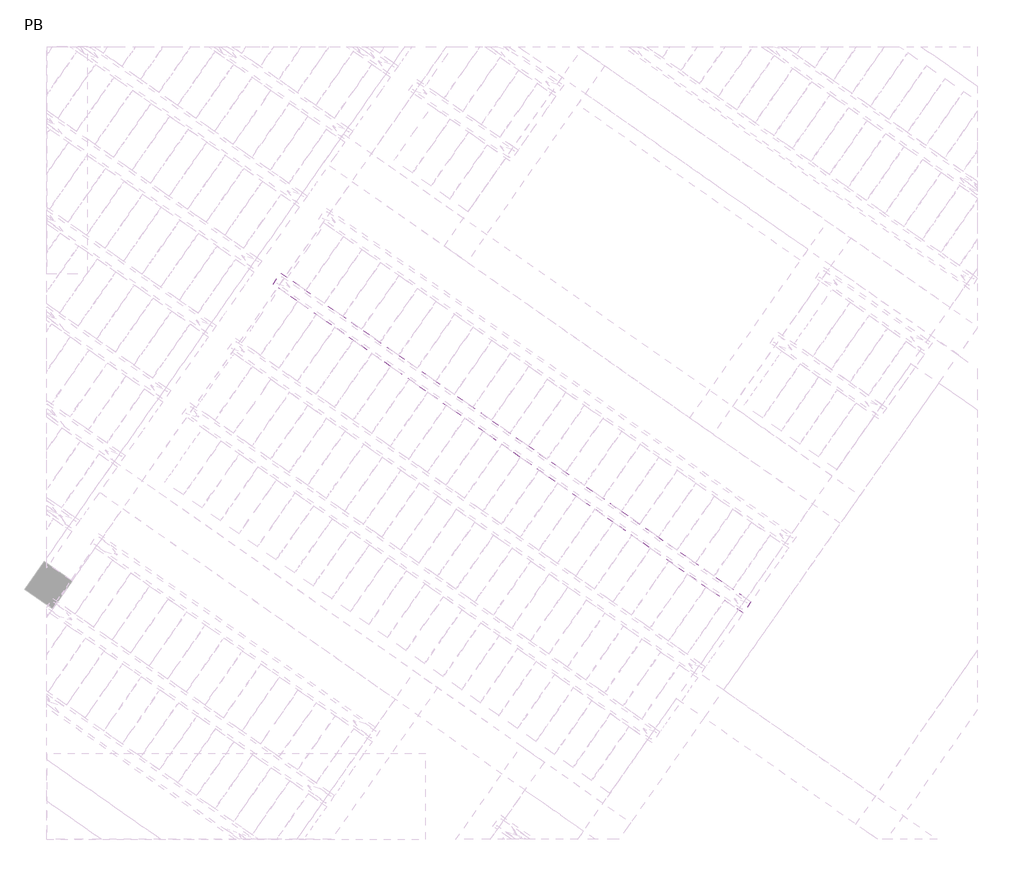
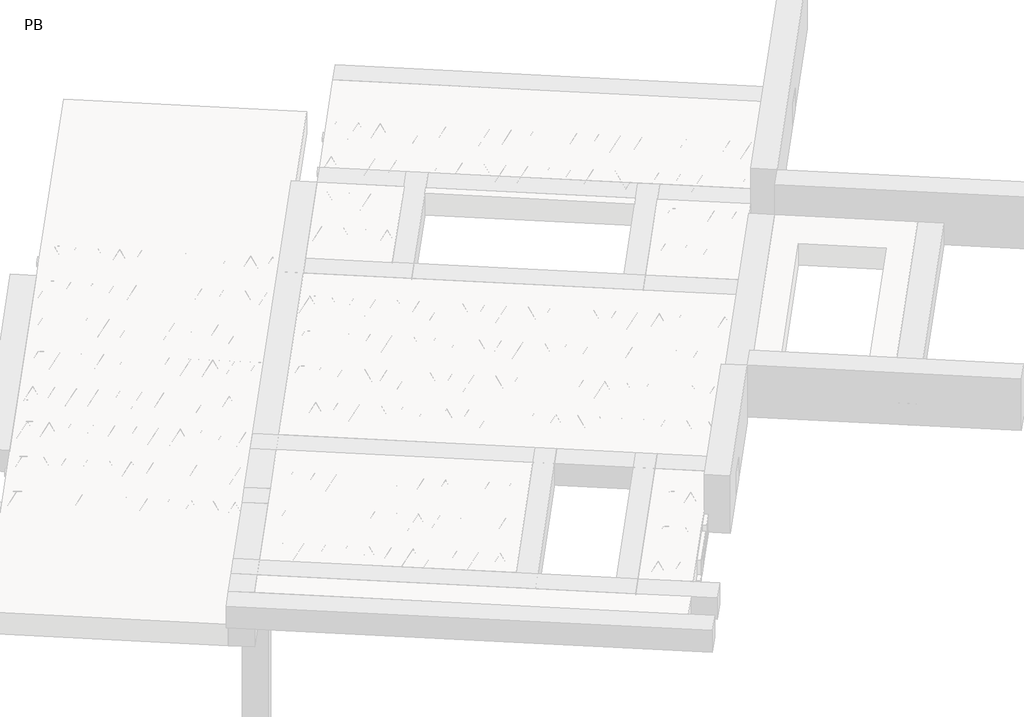
# One storey, part 24 of 56: 1 beam.
"""IFC4 building model written with IfcOpenShell, lengths in millimetres."""

from ifc_helpers import new_model, si_unit, point, frame, origin, origin_2d, place, context, project, spatial, polyline, circle_curve, trimmed, segment, composite_curve, outline, extrude, element, save

model = new_model("IFC4")

# Units and contexts
model_context = context("Model", 3, world=origin())
ifc_project = project(units=[si_unit("LENGTHUNIT", "METRE", prefix="MILLI")], contexts=[model_context])

# Site, building, storey
site = spatial("IfcSite", under=ifc_project)
building = spatial("IfcBuilding", under=site)
storey = spatial("IfcBuildingStorey", under=building, Name="PB", Elevation=95940.0)

# Beam
placement = place(None, origin())
element("IfcBeam", 1, at=placement, inside=storey, context=model_context, shape_type="SweptSolid", body=[
    extrude(outline(polyline([(4128.4861055, 4922.5047808), (4197.3152778, 5020.8030261), (8346.774221, 2115.3205944), (8277.9450486, 2017.0223491), (4128.4861055, 4922.5047808)])), frame((0.0, 0.0, 99220.0), z_axis=(0.0, 0.0, 1.0), x_axis=(1.0, 0.0, 0.0)), (0.0, 0.0, 1.0), 50.0),
    extrude(outline(composite_curve([segment(trimmed(circle_curve(origin_2d(), 2.5), [point((-2.5, 0.0))], [point((2.5, 0.0))], False, "CARTESIAN"), True, "CONTINUOUS"), segment(trimmed(circle_curve(origin_2d(), 2.5), [point((2.5, 0.0))], [point((-2.5, 0.0))], False, "CARTESIAN"), True, "CONTINUOUS")], self_intersect=False)), frame((8272.051234, 2050.4478326, 99245.0), z_axis=(-0.8191520442696126, 0.5735764363787226, 0.0), x_axis=(0.5735764363787226, 0.8191520442696126, 0.0)), (0.0, 0.0, 1.0), 5017.554035),
    extrude(outline(composite_curve([segment(trimmed(circle_curve(origin_2d(), 2.5), [point((-2.5, 0.0))], [point((2.5, 0.0))], False, "CARTESIAN"), True, "CONTINUOUS"), segment(trimmed(circle_curve(origin_2d(), 2.5), [point((2.5, 0.0))], [point((-2.5, 0.0))], False, "CARTESIAN"), True, "CONTINUOUS")], self_intersect=False)), frame((8224.0738707, 2127.9898293, 99470.0), z_axis=(-0.8191520442696126, 0.5735764363787226, 0.0), x_axis=(0.5735764363787226, 0.8191520442696126, 0.0)), (0.0, 0.0, 1.0), 4850.0),
    extrude(outline(composite_curve([segment(trimmed(circle_curve(origin_2d(), 2.5), [point((-2.5, -1e-07))], [point((2.5, 0.0))], False, "CARTESIAN"), True, "CONTINUOUS"), segment(trimmed(circle_curve(origin_2d(), 2.5), [point((2.5, 0.0))], [point((-2.5, -1e-07))], False, "CARTESIAN"), True, "CONTINUOUS")], self_intersect=False)), frame((8264.8615223, 2055.482123, 99245.0), z_axis=(-0.3145304735701046, 0.38933448886848654, 0.8657304643902053), x_axis=(0.7778747638402499, 0.6284193279813057, 0.0)), (0.0, 0.0, 1.0), 259.8961331),
    extrude(outline(composite_curve([segment(trimmed(circle_curve(origin_2d(), 2.5), [point((2.5, 0.0))], [point((-2.5, 0.0))], False, "CARTESIAN"), True, "CONTINUOUS"), segment(trimmed(circle_curve(origin_2d(), 2.5), [point((-2.5, 0.0))], [point((2.5, 0.0))], False, "CARTESIAN"), True, "CONTINUOUS")], self_intersect=False)), frame((8060.0735112, 2198.8762321, 99245.0), z_axis=(0.47343050384693375, -0.16240172737369005, 0.8657304643902051), x_axis=(-0.3244721671091268, -0.9458952440791246, 0.0)), (0.0, 0.0, 1.0), 259.8961331),
    extrude(outline(composite_curve([segment(trimmed(circle_curve(origin_2d(), 2.5), [point((-2.5, 0.0))], [point((2.5, 0.0))], False, "CARTESIAN"), True, "CONTINUOUS"), segment(trimmed(circle_curve(origin_2d(), 2.5), [point((2.5, 0.0))], [point((-2.5, 0.0))], False, "CARTESIAN"), True, "CONTINUOUS")], self_intersect=False)), frame((8060.0735112, 2198.8762321, 99245.0), z_axis=(-0.3145304735701046, 0.38933448886848654, 0.8657304643902053), x_axis=(0.7778747638402499, 0.6284193279813057, 0.0)), (0.0, 0.0, 1.0), 259.8961331),
    extrude(outline(composite_curve([segment(trimmed(circle_curve(origin_2d(), 2.5), [point((2.5, 0.0))], [point((-2.5, 1e-07))], False, "CARTESIAN"), True, "CONTINUOUS"), segment(trimmed(circle_curve(origin_2d(), 2.5), [point((-2.5, 1e-07))], [point((2.5, 0.0))], False, "CARTESIAN"), True, "CONTINUOUS")], self_intersect=False)), frame((7855.2855001, 2342.2703412, 99245.0), z_axis=(0.47343050384693375, -0.16240172737369005, 0.8657304643902051), x_axis=(-0.3244721671091268, -0.9458952440791246, 0.0)), (0.0, 0.0, 1.0), 259.8961331),
    extrude(outline(composite_curve([segment(trimmed(circle_curve(origin_2d(), 2.5), [point((-2.5, -1e-07))], [point((2.5, 0.0))], False, "CARTESIAN"), True, "CONTINUOUS"), segment(trimmed(circle_curve(origin_2d(), 2.5), [point((2.5, 0.0))], [point((-2.5, -1e-07))], False, "CARTESIAN"), True, "CONTINUOUS")], self_intersect=False)), frame((7855.2855001, 2342.2703412, 99245.0), z_axis=(-0.3145304735701046, 0.38933448886848654, 0.8657304643902053), x_axis=(0.7778747638402499, 0.6284193279813057, 0.0)), (0.0, 0.0, 1.0), 259.8961331),
    extrude(outline(composite_curve([segment(trimmed(circle_curve(origin_2d(), 2.5), [point((2.5000001, 0.0))], [point((-2.5, 0.0))], False, "CARTESIAN"), True, "CONTINUOUS"), segment(trimmed(circle_curve(origin_2d(), 2.5), [point((-2.5, 0.0))], [point((2.5000001, 0.0))], False, "CARTESIAN"), True, "CONTINUOUS")], self_intersect=False)), frame((7650.4974891, 2485.6644503, 99245.0), z_axis=(0.47343050384693375, -0.16240172737369005, 0.8657304643902051), x_axis=(-0.3244721671091268, -0.9458952440791246, 0.0)), (0.0, 0.0, 1.0), 259.8961331),
    extrude(outline(composite_curve([segment(trimmed(circle_curve(origin_2d(), 2.5), [point((-2.5, -1e-07))], [point((2.5, 0.0))], False, "CARTESIAN"), True, "CONTINUOUS"), segment(trimmed(circle_curve(origin_2d(), 2.5), [point((2.5, 0.0))], [point((-2.5, -1e-07))], False, "CARTESIAN"), True, "CONTINUOUS")], self_intersect=False)), frame((7650.4974891, 2485.6644503, 99245.0), z_axis=(-0.3145304735701046, 0.38933448886848654, 0.8657304643902053), x_axis=(0.7778747638402499, 0.6284193279813057, 0.0)), (0.0, 0.0, 1.0), 259.8961331),
    extrude(outline(composite_curve([segment(trimmed(circle_curve(origin_2d(), 2.5), [point((2.5000001, 0.0))], [point((-2.5, 0.0))], False, "CARTESIAN"), True, "CONTINUOUS"), segment(trimmed(circle_curve(origin_2d(), 2.5), [point((-2.5, 0.0))], [point((2.5000001, 0.0))], False, "CARTESIAN"), True, "CONTINUOUS")], self_intersect=False)), frame((7445.709478, 2629.0585594, 99245.0), z_axis=(0.47343050384693375, -0.16240172737369005, 0.8657304643902051), x_axis=(-0.3244721671091268, -0.9458952440791246, 0.0)), (0.0, 0.0, 1.0), 259.8961331),
    extrude(outline(composite_curve([segment(trimmed(circle_curve(origin_2d(), 2.5), [point((-2.5, 0.0))], [point((2.5, 0.0))], False, "CARTESIAN"), True, "CONTINUOUS"), segment(trimmed(circle_curve(origin_2d(), 2.5), [point((2.5, 0.0))], [point((-2.5, 0.0))], False, "CARTESIAN"), True, "CONTINUOUS")], self_intersect=False)), frame((7445.7094783, 2629.0585591, 99245.0), z_axis=(-0.3145304735701046, 0.38933448886848654, 0.8657304643902053), x_axis=(0.7778747638402499, 0.6284193279813057, 0.0)), (0.0, 0.0, 1.0), 259.8961331),
    extrude(outline(composite_curve([segment(trimmed(circle_curve(origin_2d(), 2.5), [point((2.5, -1e-07))], [point((-2.5, 0.0))], False, "CARTESIAN"), True, "CONTINUOUS"), segment(trimmed(circle_curve(origin_2d(), 2.5), [point((-2.5, 0.0))], [point((2.5, -1e-07))], False, "CARTESIAN"), True, "CONTINUOUS")], self_intersect=False)), frame((7240.9214673, 2772.4526682, 99245.0), z_axis=(0.47343050384693375, -0.16240172737369005, 0.8657304643902051), x_axis=(-0.3244721671091268, -0.9458952440791246, 0.0)), (0.0, 0.0, 1.0), 259.8961331),
    extrude(outline(composite_curve([segment(trimmed(circle_curve(origin_2d(), 2.5), [point((-2.5, 0.0))], [point((2.5, 0.0))], False, "CARTESIAN"), True, "CONTINUOUS"), segment(trimmed(circle_curve(origin_2d(), 2.5), [point((2.5, 0.0))], [point((-2.5, 0.0))], False, "CARTESIAN"), True, "CONTINUOUS")], self_intersect=False)), frame((7240.9214673, 2772.4526682, 99245.0), z_axis=(-0.3145304735701046, 0.38933448886848654, 0.8657304643902053), x_axis=(0.7778747638402499, 0.6284193279813057, 0.0)), (0.0, 0.0, 1.0), 259.8961331),
    extrude(outline(composite_curve([segment(trimmed(circle_curve(origin_2d(), 2.5), [point((2.5, 0.0))], [point((-2.5, 0.0))], False, "CARTESIAN"), True, "CONTINUOUS"), segment(trimmed(circle_curve(origin_2d(), 2.5), [point((-2.5, 0.0))], [point((2.5, 0.0))], False, "CARTESIAN"), True, "CONTINUOUS")], self_intersect=False)), frame((7036.1334562, 2915.8467773, 99245.0), z_axis=(0.47343050384693375, -0.16240172737369005, 0.8657304643902051), x_axis=(-0.3244721671091268, -0.9458952440791246, 0.0)), (0.0, 0.0, 1.0), 259.8961331),
    extrude(outline(composite_curve([segment(trimmed(circle_curve(origin_2d(), 2.5), [point((-2.5, 0.0))], [point((2.5, 0.0))], False, "CARTESIAN"), True, "CONTINUOUS"), segment(trimmed(circle_curve(origin_2d(), 2.5), [point((2.5, 0.0))], [point((-2.5, 0.0))], False, "CARTESIAN"), True, "CONTINUOUS")], self_intersect=False)), frame((7036.1334562, 2915.8467773, 99245.0), z_axis=(-0.3145304735701046, 0.38933448886848654, 0.8657304643902053), x_axis=(0.7778747638402499, 0.6284193279813057, 0.0)), (0.0, 0.0, 1.0), 259.8961331),
    extrude(outline(composite_curve([segment(trimmed(circle_curve(origin_2d(), 2.5), [point((2.5, 0.0))], [point((-2.5, 0.0))], False, "CARTESIAN"), True, "CONTINUOUS"), segment(trimmed(circle_curve(origin_2d(), 2.5), [point((-2.5, 0.0))], [point((2.5, 0.0))], False, "CARTESIAN"), True, "CONTINUOUS")], self_intersect=False)), frame((6831.3454451, 3059.2408864, 99245.0), z_axis=(0.47343050384693375, -0.16240172737369005, 0.8657304643902051), x_axis=(-0.3244721671091268, -0.9458952440791246, 0.0)), (0.0, 0.0, 1.0), 259.8961331),
    extrude(outline(composite_curve([segment(trimmed(circle_curve(origin_2d(), 2.5), [point((-2.5, 0.0))], [point((2.5, 0.0))], False, "CARTESIAN"), True, "CONTINUOUS"), segment(trimmed(circle_curve(origin_2d(), 2.5), [point((2.5, 0.0))], [point((-2.5, 0.0))], False, "CARTESIAN"), True, "CONTINUOUS")], self_intersect=False)), frame((6831.3454451, 3059.2408864, 99245.0), z_axis=(-0.3145304735701046, 0.38933448886848654, 0.8657304643902053), x_axis=(0.7778747638402499, 0.6284193279813057, 0.0)), (0.0, 0.0, 1.0), 259.8961331),
    extrude(outline(composite_curve([segment(trimmed(circle_curve(origin_2d(), 2.5), [point((2.5, -1e-07))], [point((-2.5, 0.0))], False, "CARTESIAN"), True, "CONTINUOUS"), segment(trimmed(circle_curve(origin_2d(), 2.5), [point((-2.5, 0.0))], [point((2.5, -1e-07))], False, "CARTESIAN"), True, "CONTINUOUS")], self_intersect=False)), frame((6626.5574341, 3202.6349955, 99245.0), z_axis=(0.47343050384693375, -0.16240172737369005, 0.8657304643902051), x_axis=(-0.3244721671091268, -0.9458952440791246, 0.0)), (0.0, 0.0, 1.0), 259.8961331),
    extrude(outline(composite_curve([segment(trimmed(circle_curve(origin_2d(), 2.5), [point((-2.5000001, 1e-07))], [point((2.5, 0.0))], False, "CARTESIAN"), True, "CONTINUOUS"), segment(trimmed(circle_curve(origin_2d(), 2.5), [point((2.5, 0.0))], [point((-2.5000001, 1e-07))], False, "CARTESIAN"), True, "CONTINUOUS")], self_intersect=False)), frame((6626.5574341, 3202.6349955, 99245.0), z_axis=(-0.3145304735701046, 0.38933448886848654, 0.8657304643902053), x_axis=(0.7778747638402499, 0.6284193279813057, 0.0)), (0.0, 0.0, 1.0), 259.8961331),
    extrude(outline(composite_curve([segment(trimmed(circle_curve(origin_2d(), 2.5), [point((2.5, 0.0))], [point((-2.5, 0.0))], False, "CARTESIAN"), True, "CONTINUOUS"), segment(trimmed(circle_curve(origin_2d(), 2.5), [point((-2.5, 0.0))], [point((2.5, 0.0))], False, "CARTESIAN"), True, "CONTINUOUS")], self_intersect=False)), frame((6421.769423, 3346.0291046, 99245.0), z_axis=(0.47343050384693375, -0.16240172737369005, 0.8657304643902051), x_axis=(-0.3244721671091268, -0.9458952440791246, 0.0)), (0.0, 0.0, 1.0), 259.8961331),
    extrude(outline(composite_curve([segment(trimmed(circle_curve(origin_2d(), 2.5), [point((-2.5, 0.0))], [point((2.5, 0.0))], False, "CARTESIAN"), True, "CONTINUOUS"), segment(trimmed(circle_curve(origin_2d(), 2.5), [point((2.5, 0.0))], [point((-2.5, 0.0))], False, "CARTESIAN"), True, "CONTINUOUS")], self_intersect=False)), frame((6421.769423, 3346.0291046, 99245.0), z_axis=(-0.3145304735701046, 0.38933448886848654, 0.8657304643902053), x_axis=(0.7778747638402499, 0.6284193279813057, 0.0)), (0.0, 0.0, 1.0), 259.8961331),
    extrude(outline(composite_curve([segment(trimmed(circle_curve(origin_2d(), 2.5), [point((2.5, 0.0))], [point((-2.5, 0.0))], False, "CARTESIAN"), True, "CONTINUOUS"), segment(trimmed(circle_curve(origin_2d(), 2.5), [point((-2.5, 0.0))], [point((2.5, 0.0))], False, "CARTESIAN"), True, "CONTINUOUS")], self_intersect=False)), frame((6216.9814119, 3489.4232137, 99245.0), z_axis=(0.47343050384693375, -0.16240172737369005, 0.8657304643902051), x_axis=(-0.3244721671091268, -0.9458952440791246, 0.0)), (0.0, 0.0, 1.0), 259.8961331),
    extrude(outline(composite_curve([segment(trimmed(circle_curve(origin_2d(), 2.5), [point((-2.5, 0.0))], [point((2.5, 0.0))], False, "CARTESIAN"), True, "CONTINUOUS"), segment(trimmed(circle_curve(origin_2d(), 2.5), [point((2.5, 0.0))], [point((-2.5, 0.0))], False, "CARTESIAN"), True, "CONTINUOUS")], self_intersect=False)), frame((6216.9814119, 3489.4232137, 99245.0), z_axis=(-0.3145304735701046, 0.38933448886848654, 0.8657304643902053), x_axis=(0.7778747638402499, 0.6284193279813057, 0.0)), (0.0, 0.0, 1.0), 259.8961331),
    extrude(outline(composite_curve([segment(trimmed(circle_curve(origin_2d(), 2.5), [point((2.5, -1e-07))], [point((-2.5, 0.0))], False, "CARTESIAN"), True, "CONTINUOUS"), segment(trimmed(circle_curve(origin_2d(), 2.5), [point((-2.5, 0.0))], [point((2.5, -1e-07))], False, "CARTESIAN"), True, "CONTINUOUS")], self_intersect=False)), frame((6012.1934009, 3632.8173228, 99245.0), z_axis=(0.47343050384693375, -0.16240172737369005, 0.8657304643902051), x_axis=(-0.3244721671091268, -0.9458952440791246, 0.0)), (0.0, 0.0, 1.0), 259.8961331),
    extrude(outline(composite_curve([segment(trimmed(circle_curve(origin_2d(), 2.5), [point((-2.5000001, 1e-07))], [point((2.5, 0.0))], False, "CARTESIAN"), True, "CONTINUOUS"), segment(trimmed(circle_curve(origin_2d(), 2.5), [point((2.5, 0.0))], [point((-2.5000001, 1e-07))], False, "CARTESIAN"), True, "CONTINUOUS")], self_intersect=False)), frame((6012.1934009, 3632.8173228, 99245.0), z_axis=(-0.3145304735701046, 0.38933448886848654, 0.8657304643902053), x_axis=(0.7778747638402499, 0.6284193279813057, 0.0)), (0.0, 0.0, 1.0), 259.8961331),
    extrude(outline(composite_curve([segment(trimmed(circle_curve(origin_2d(), 2.5), [point((2.5, 0.0))], [point((-2.5, 0.0))], False, "CARTESIAN"), True, "CONTINUOUS"), segment(trimmed(circle_curve(origin_2d(), 2.5), [point((-2.5, 0.0))], [point((2.5, 0.0))], False, "CARTESIAN"), True, "CONTINUOUS")], self_intersect=False)), frame((5807.4053898, 3776.2114319, 99245.0), z_axis=(0.47343050384693375, -0.16240172737369005, 0.8657304643902051), x_axis=(-0.3244721671091268, -0.9458952440791246, 0.0)), (0.0, 0.0, 1.0), 259.8961331),
    extrude(outline(composite_curve([segment(trimmed(circle_curve(origin_2d(), 2.5), [point((-2.5, 0.0))], [point((2.5, 0.0))], False, "CARTESIAN"), True, "CONTINUOUS"), segment(trimmed(circle_curve(origin_2d(), 2.5), [point((2.5, 0.0))], [point((-2.5, 0.0))], False, "CARTESIAN"), True, "CONTINUOUS")], self_intersect=False)), frame((5807.4053898, 3776.2114319, 99245.0), z_axis=(-0.3145304735701046, 0.38933448886848654, 0.8657304643902053), x_axis=(0.7778747638402499, 0.6284193279813057, 0.0)), (0.0, 0.0, 1.0), 259.8961331),
    extrude(outline(composite_curve([segment(trimmed(circle_curve(origin_2d(), 2.5), [point((2.5, 0.0))], [point((-2.5, 0.0))], False, "CARTESIAN"), True, "CONTINUOUS"), segment(trimmed(circle_curve(origin_2d(), 2.5), [point((-2.5, 0.0))], [point((2.5, 0.0))], False, "CARTESIAN"), True, "CONTINUOUS")], self_intersect=False)), frame((5602.6173787, 3919.605541, 99245.0), z_axis=(0.47343050384693375, -0.16240172737369005, 0.8657304643902051), x_axis=(-0.3244721671091268, -0.9458952440791246, 0.0)), (0.0, 0.0, 1.0), 259.8961331),
    extrude(outline(composite_curve([segment(trimmed(circle_curve(origin_2d(), 2.5), [point((-2.5, 0.0))], [point((2.5, 0.0))], False, "CARTESIAN"), True, "CONTINUOUS"), segment(trimmed(circle_curve(origin_2d(), 2.5), [point((2.5, 0.0))], [point((-2.5, 0.0))], False, "CARTESIAN"), True, "CONTINUOUS")], self_intersect=False)), frame((5602.6173787, 3919.605541, 99245.0), z_axis=(-0.3145304735701046, 0.38933448886848654, 0.8657304643902053), x_axis=(0.7778747638402499, 0.6284193279813057, 0.0)), (0.0, 0.0, 1.0), 259.8961331),
    extrude(outline(composite_curve([segment(trimmed(circle_curve(origin_2d(), 2.5), [point((2.5, -1e-07))], [point((-2.5, 0.0))], False, "CARTESIAN"), True, "CONTINUOUS"), segment(trimmed(circle_curve(origin_2d(), 2.5), [point((-2.5, 0.0))], [point((2.5, -1e-07))], False, "CARTESIAN"), True, "CONTINUOUS")], self_intersect=False)), frame((5397.8293677, 4062.9996501, 99245.0), z_axis=(0.47343050384693375, -0.16240172737369005, 0.8657304643902051), x_axis=(-0.3244721671091268, -0.9458952440791246, 0.0)), (0.0, 0.0, 1.0), 259.8961331),
    extrude(outline(composite_curve([segment(trimmed(circle_curve(origin_2d(), 2.5), [point((-2.5000001, 1e-07))], [point((2.5, 0.0))], False, "CARTESIAN"), True, "CONTINUOUS"), segment(trimmed(circle_curve(origin_2d(), 2.5), [point((2.5, 0.0))], [point((-2.5000001, 1e-07))], False, "CARTESIAN"), True, "CONTINUOUS")], self_intersect=False)), frame((5397.8293677, 4062.9996501, 99245.0), z_axis=(-0.3145304735701046, 0.38933448886848654, 0.8657304643902053), x_axis=(0.7778747638402499, 0.6284193279813057, 0.0)), (0.0, 0.0, 1.0), 259.8961331),
    extrude(outline(composite_curve([segment(trimmed(circle_curve(origin_2d(), 2.5), [point((2.5, 0.0))], [point((-2.5, 0.0))], False, "CARTESIAN"), True, "CONTINUOUS"), segment(trimmed(circle_curve(origin_2d(), 2.5), [point((-2.5, 0.0))], [point((2.5, 0.0))], False, "CARTESIAN"), True, "CONTINUOUS")], self_intersect=False)), frame((5193.0413566, 4206.3937592, 99245.0), z_axis=(0.47343050384693375, -0.16240172737369005, 0.8657304643902051), x_axis=(-0.3244721671091268, -0.9458952440791246, 0.0)), (0.0, 0.0, 1.0), 259.8961331),
    extrude(outline(composite_curve([segment(trimmed(circle_curve(origin_2d(), 2.5), [point((-2.5, -1e-07))], [point((2.5, 0.0))], False, "CARTESIAN"), True, "CONTINUOUS"), segment(trimmed(circle_curve(origin_2d(), 2.5), [point((2.5, 0.0))], [point((-2.5, -1e-07))], False, "CARTESIAN"), True, "CONTINUOUS")], self_intersect=False)), frame((5193.0413566, 4206.3937592, 99245.0), z_axis=(-0.3145304735701046, 0.38933448886848654, 0.8657304643902053), x_axis=(0.7778747638402499, 0.6284193279813057, 0.0)), (0.0, 0.0, 1.0), 259.8961331),
    extrude(outline(composite_curve([segment(trimmed(circle_curve(origin_2d(), 2.5), [point((2.5, 0.0))], [point((-2.5, 0.0))], False, "CARTESIAN"), True, "CONTINUOUS"), segment(trimmed(circle_curve(origin_2d(), 2.5), [point((-2.5, 0.0))], [point((2.5, 0.0))], False, "CARTESIAN"), True, "CONTINUOUS")], self_intersect=False)), frame((4988.2533455, 4349.7878683, 99245.0), z_axis=(0.47343050384693375, -0.16240172737369005, 0.8657304643902051), x_axis=(-0.3244721671091268, -0.9458952440791246, 0.0)), (0.0, 0.0, 1.0), 259.8961331),
    extrude(outline(composite_curve([segment(trimmed(circle_curve(origin_2d(), 2.5), [point((-2.5, -1e-07))], [point((2.5, 0.0))], False, "CARTESIAN"), True, "CONTINUOUS"), segment(trimmed(circle_curve(origin_2d(), 2.5), [point((2.5, 0.0))], [point((-2.5, -1e-07))], False, "CARTESIAN"), True, "CONTINUOUS")], self_intersect=False)), frame((4988.2533455, 4349.7878683, 99245.0), z_axis=(-0.3145304735701046, 0.38933448886848654, 0.8657304643902053), x_axis=(0.7778747638402499, 0.6284193279813057, 0.0)), (0.0, 0.0, 1.0), 259.8961331),
    extrude(outline(composite_curve([segment(trimmed(circle_curve(origin_2d(), 2.5), [point((2.5000001, 0.0))], [point((-2.5, 0.0))], False, "CARTESIAN"), True, "CONTINUOUS"), segment(trimmed(circle_curve(origin_2d(), 2.5), [point((-2.5, 0.0))], [point((2.5000001, 0.0))], False, "CARTESIAN"), True, "CONTINUOUS")], self_intersect=False)), frame((4783.4653345, 4493.1819774, 99245.0), z_axis=(0.47343050384693375, -0.16240172737369005, 0.8657304643902051), x_axis=(-0.3244721671091268, -0.9458952440791246, 0.0)), (0.0, 0.0, 1.0), 259.8961331),
    extrude(outline(composite_curve([segment(trimmed(circle_curve(origin_2d(), 2.5), [point((-2.5000001, 0.0))], [point((2.5, 0.0))], False, "CARTESIAN"), True, "CONTINUOUS"), segment(trimmed(circle_curve(origin_2d(), 2.5), [point((2.5, 0.0))], [point((-2.5000001, 0.0))], False, "CARTESIAN"), True, "CONTINUOUS")], self_intersect=False)), frame((4783.4653345, 4493.1819774, 99245.0), z_axis=(-0.3145304735701046, 0.38933448886848654, 0.8657304643902053), x_axis=(0.7778747638402499, 0.6284193279813057, 0.0)), (0.0, 0.0, 1.0), 259.8961331),
    extrude(outline(composite_curve([segment(trimmed(circle_curve(origin_2d(), 2.5), [point((2.5000001, 0.0))], [point((-2.5, 0.0))], False, "CARTESIAN"), True, "CONTINUOUS"), segment(trimmed(circle_curve(origin_2d(), 2.5), [point((-2.5, 0.0))], [point((2.5000001, 0.0))], False, "CARTESIAN"), True, "CONTINUOUS")], self_intersect=False)), frame((4578.6773234, 4636.5760865, 99245.0), z_axis=(0.47343050384693375, -0.16240172737369005, 0.8657304643902051), x_axis=(-0.3244721671091268, -0.9458952440791246, 0.0)), (0.0, 0.0, 1.0), 259.8961331),
    extrude(outline(composite_curve([segment(trimmed(circle_curve(origin_2d(), 2.5), [point((-2.5, -1e-07))], [point((2.5, 0.0))], False, "CARTESIAN"), True, "CONTINUOUS"), segment(trimmed(circle_curve(origin_2d(), 2.5), [point((2.5, 0.0))], [point((-2.5, -1e-07))], False, "CARTESIAN"), True, "CONTINUOUS")], self_intersect=False)), frame((4578.6773234, 4636.5760865, 99245.0), z_axis=(-0.3145304735701046, 0.38933448886848654, 0.8657304643902053), x_axis=(0.7778747638402499, 0.6284193279813057, 0.0)), (0.0, 0.0, 1.0), 259.8961331),
    extrude(outline(composite_curve([segment(trimmed(circle_curve(origin_2d(), 2.5), [point((2.5, 0.0))], [point((-2.5000001, 0.0))], False, "CARTESIAN"), True, "CONTINUOUS"), segment(trimmed(circle_curve(origin_2d(), 2.5), [point((-2.5000001, 0.0))], [point((2.5, 0.0))], False, "CARTESIAN"), True, "CONTINUOUS")], self_intersect=False)), frame((4373.8893123, 4779.9701955, 99245.0), z_axis=(0.47343050384693375, -0.16240172737369005, 0.8657304643902051), x_axis=(-0.3244721671091268, -0.9458952440791246, 0.0)), (0.0, 0.0, 1.0), 259.8961331),
    extrude(outline(composite_curve([segment(trimmed(circle_curve(origin_2d(), 2.5), [point((-2.5, 0.0))], [point((2.5, 1e-07))], False, "CARTESIAN"), True, "CONTINUOUS"), segment(trimmed(circle_curve(origin_2d(), 2.5), [point((2.5, 1e-07))], [point((-2.5, 0.0))], False, "CARTESIAN"), True, "CONTINUOUS")], self_intersect=False)), frame((4373.8893123, 4779.9701955, 99245.0), z_axis=(-0.3145304735701046, 0.38933448886848654, 0.8657304643902053), x_axis=(0.7778747638402499, 0.6284193279813057, 0.0)), (0.0, 0.0, 1.0), 259.8961331),
    extrude(outline(composite_curve([segment(trimmed(circle_curve(origin_2d(), 2.5), [point((2.5, -1e-07))], [point((-2.5000001, 0.0))], False, "CARTESIAN"), True, "CONTINUOUS"), segment(trimmed(circle_curve(origin_2d(), 2.5), [point((-2.5000001, 0.0))], [point((2.5, -1e-07))], False, "CARTESIAN"), True, "CONTINUOUS")], self_intersect=False)), frame((4169.1013013, 4923.3643046, 99245.0), z_axis=(0.47343050384693375, -0.16240172737369005, 0.8657304643902051), x_axis=(-0.3244721671091268, -0.9458952440791246, 0.0)), (0.0, 0.0, 1.0), 259.8961331),
    extrude(outline(composite_curve([segment(trimmed(circle_curve(origin_2d(), 2.5), [point((-2.5, 0.0))], [point((2.5, 0.0))], False, "CARTESIAN"), True, "CONTINUOUS"), segment(trimmed(circle_curve(origin_2d(), 2.5), [point((2.5, 0.0))], [point((-2.5, 0.0))], False, "CARTESIAN"), True, "CONTINUOUS")], self_intersect=False)), frame((8313.3487374, 2109.4267798, 99245.0), z_axis=(-0.8191520442696126, 0.5735764363787226, 0.0), x_axis=(0.5735764363787226, 0.8191520442696126, 0.0)), (0.0, 0.0, 1.0), 5017.554035),
    extrude(outline(composite_curve([segment(trimmed(circle_curve(origin_2d(), 2.5), [point((-2.5000001, 0.0))], [point((2.5, 0.0))], False, "CARTESIAN"), True, "CONTINUOUS"), segment(trimmed(circle_curve(origin_2d(), 2.5), [point((2.5, 0.0))], [point((-2.5000001, 0.0))], False, "CARTESIAN"), True, "CONTINUOUS")], self_intersect=False)), frame((8306.1590257, 2114.4610702, 99245.0), z_axis=(-0.47343050384693375, 0.16240172737369005, 0.8657304643902051), x_axis=(0.3244721671091268, 0.9458952440791246, 0.0)), (0.0, 0.0, 1.0), 259.8961331),
    extrude(outline(composite_curve([segment(trimmed(circle_curve(origin_2d(), 2.5), [point((2.5, 1e-07))], [point((-2.5, 0.0))], False, "CARTESIAN"), True, "CONTINUOUS"), segment(trimmed(circle_curve(origin_2d(), 2.5), [point((-2.5, 0.0))], [point((2.5, 1e-07))], False, "CARTESIAN"), True, "CONTINUOUS")], self_intersect=False)), frame((8101.3710146, 2257.8551793, 99245.0), z_axis=(0.3145304735701046, -0.38933448886848654, 0.8657304643902053), x_axis=(-0.7778747638402499, -0.6284193279813057, 0.0)), (0.0, 0.0, 1.0), 259.8961331),
    extrude(outline(composite_curve([segment(trimmed(circle_curve(origin_2d(), 2.5), [point((-2.5000001, 0.0))], [point((2.5, 0.0))], False, "CARTESIAN"), True, "CONTINUOUS"), segment(trimmed(circle_curve(origin_2d(), 2.5), [point((2.5, 0.0))], [point((-2.5000001, 0.0))], False, "CARTESIAN"), True, "CONTINUOUS")], self_intersect=False)), frame((8101.3710146, 2257.8551793, 99245.0), z_axis=(-0.47343050384693375, 0.16240172737369005, 0.8657304643902051), x_axis=(0.3244721671091268, 0.9458952440791246, 0.0)), (0.0, 0.0, 1.0), 259.8961331),
    extrude(outline(composite_curve([segment(trimmed(circle_curve(origin_2d(), 2.5), [point((2.5000001, 0.0))], [point((-2.5, 0.0))], False, "CARTESIAN"), True, "CONTINUOUS"), segment(trimmed(circle_curve(origin_2d(), 2.5), [point((-2.5, 0.0))], [point((2.5000001, 0.0))], False, "CARTESIAN"), True, "CONTINUOUS")], self_intersect=False)), frame((7896.5830036, 2401.2492884, 99245.0), z_axis=(0.3145304735701046, -0.38933448886848654, 0.8657304643902053), x_axis=(-0.7778747638402499, -0.6284193279813057, 0.0)), (0.0, 0.0, 1.0), 259.8961331),
    extrude(outline(composite_curve([segment(trimmed(circle_curve(origin_2d(), 2.5), [point((-2.5000001, 0.0))], [point((2.5, 0.0))], False, "CARTESIAN"), True, "CONTINUOUS"), segment(trimmed(circle_curve(origin_2d(), 2.5), [point((2.5, 0.0))], [point((-2.5000001, 0.0))], False, "CARTESIAN"), True, "CONTINUOUS")], self_intersect=False)), frame((7896.5830036, 2401.2492884, 99245.0), z_axis=(-0.47343050384693375, 0.16240172737369005, 0.8657304643902051), x_axis=(0.3244721671091268, 0.9458952440791246, 0.0)), (0.0, 0.0, 1.0), 259.8961331),
    extrude(outline(composite_curve([segment(trimmed(circle_curve(origin_2d(), 2.5), [point((2.5, 0.0))], [point((-2.5, -1e-07))], False, "CARTESIAN"), True, "CONTINUOUS"), segment(trimmed(circle_curve(origin_2d(), 2.5), [point((-2.5, -1e-07))], [point((2.5, 0.0))], False, "CARTESIAN"), True, "CONTINUOUS")], self_intersect=False)), frame((7691.7949925, 2544.6433974, 99245.0), z_axis=(0.3145304735701046, -0.38933448886848654, 0.8657304643902053), x_axis=(-0.7778747638402499, -0.6284193279813057, 0.0)), (0.0, 0.0, 1.0), 259.8961331),
    extrude(outline(composite_curve([segment(trimmed(circle_curve(origin_2d(), 2.5), [point((-2.5, 0.0))], [point((2.5000001, 0.0))], False, "CARTESIAN"), True, "CONTINUOUS"), segment(trimmed(circle_curve(origin_2d(), 2.5), [point((2.5000001, 0.0))], [point((-2.5, 0.0))], False, "CARTESIAN"), True, "CONTINUOUS")], self_intersect=False)), frame((7691.7949925, 2544.6433974, 99245.0), z_axis=(-0.47343050384693375, 0.16240172737369005, 0.8657304643902051), x_axis=(0.3244721671091268, 0.9458952440791246, 0.0)), (0.0, 0.0, 1.0), 259.8961331),
    extrude(outline(composite_curve([segment(trimmed(circle_curve(origin_2d(), 2.5), [point((2.5, 0.0))], [point((-2.5, -1e-07))], False, "CARTESIAN"), True, "CONTINUOUS"), segment(trimmed(circle_curve(origin_2d(), 2.5), [point((-2.5, -1e-07))], [point((2.5, 0.0))], False, "CARTESIAN"), True, "CONTINUOUS")], self_intersect=False)), frame((7487.0069814, 2688.0375065, 99245.0), z_axis=(0.3145304735701046, -0.38933448886848654, 0.8657304643902053), x_axis=(-0.7778747638402499, -0.6284193279813057, 0.0)), (0.0, 0.0, 1.0), 259.8961331),
    extrude(outline(composite_curve([segment(trimmed(circle_curve(origin_2d(), 2.5), [point((-2.5, 0.0))], [point((2.5, -1e-07))], False, "CARTESIAN"), True, "CONTINUOUS"), segment(trimmed(circle_curve(origin_2d(), 2.5), [point((2.5, -1e-07))], [point((-2.5, 0.0))], False, "CARTESIAN"), True, "CONTINUOUS")], self_intersect=False)), frame((7487.0069817, 2688.0375063, 99245.0), z_axis=(-0.47343050384693375, 0.16240172737369005, 0.8657304643902051), x_axis=(0.3244721671091268, 0.9458952440791246, 0.0)), (0.0, 0.0, 1.0), 259.8961331),
    extrude(outline(composite_curve([segment(trimmed(circle_curve(origin_2d(), 2.5), [point((2.5, 0.0))], [point((-2.5, 0.0))], False, "CARTESIAN"), True, "CONTINUOUS"), segment(trimmed(circle_curve(origin_2d(), 2.5), [point((-2.5, 0.0))], [point((2.5, 0.0))], False, "CARTESIAN"), True, "CONTINUOUS")], self_intersect=False)), frame((7282.2189707, 2831.4316154, 99245.0), z_axis=(0.3145304735701046, -0.38933448886848654, 0.8657304643902053), x_axis=(-0.7778747638402499, -0.6284193279813057, 0.0)), (0.0, 0.0, 1.0), 259.8961331),
    extrude(outline(composite_curve([segment(trimmed(circle_curve(origin_2d(), 2.5), [point((-2.5, 0.0))], [point((2.5, 0.0))], False, "CARTESIAN"), True, "CONTINUOUS"), segment(trimmed(circle_curve(origin_2d(), 2.5), [point((2.5, 0.0))], [point((-2.5, 0.0))], False, "CARTESIAN"), True, "CONTINUOUS")], self_intersect=False)), frame((7282.2189707, 2831.4316154, 99245.0), z_axis=(-0.47343050384693375, 0.16240172737369005, 0.8657304643902051), x_axis=(0.3244721671091268, 0.9458952440791246, 0.0)), (0.0, 0.0, 1.0), 259.8961331),
    extrude(outline(composite_curve([segment(trimmed(circle_curve(origin_2d(), 2.5), [point((2.5, 0.0))], [point((-2.5, 0.0))], False, "CARTESIAN"), True, "CONTINUOUS"), segment(trimmed(circle_curve(origin_2d(), 2.5), [point((-2.5, 0.0))], [point((2.5, 0.0))], False, "CARTESIAN"), True, "CONTINUOUS")], self_intersect=False)), frame((7077.4309596, 2974.8257245, 99245.0), z_axis=(0.3145304735701046, -0.38933448886848654, 0.8657304643902053), x_axis=(-0.7778747638402499, -0.6284193279813057, 0.0)), (0.0, 0.0, 1.0), 259.8961331),
    extrude(outline(composite_curve([segment(trimmed(circle_curve(origin_2d(), 2.5), [point((-2.5, 0.0))], [point((2.5, 0.0))], False, "CARTESIAN"), True, "CONTINUOUS"), segment(trimmed(circle_curve(origin_2d(), 2.5), [point((2.5, 0.0))], [point((-2.5, 0.0))], False, "CARTESIAN"), True, "CONTINUOUS")], self_intersect=False)), frame((7077.4309596, 2974.8257245, 99245.0), z_axis=(-0.47343050384693375, 0.16240172737369005, 0.8657304643902051), x_axis=(0.3244721671091268, 0.9458952440791246, 0.0)), (0.0, 0.0, 1.0), 259.8961331),
    extrude(outline(composite_curve([segment(trimmed(circle_curve(origin_2d(), 2.5), [point((2.5, 0.0))], [point((-2.5000001, 1e-07))], False, "CARTESIAN"), True, "CONTINUOUS"), segment(trimmed(circle_curve(origin_2d(), 2.5), [point((-2.5000001, 1e-07))], [point((2.5, 0.0))], False, "CARTESIAN"), True, "CONTINUOUS")], self_intersect=False)), frame((6872.6429485, 3118.2198336, 99245.0), z_axis=(0.3145304735701046, -0.38933448886848654, 0.8657304643902053), x_axis=(-0.7778747638402499, -0.6284193279813057, 0.0)), (0.0, 0.0, 1.0), 259.8961331),
    extrude(outline(composite_curve([segment(trimmed(circle_curve(origin_2d(), 2.5), [point((-2.5, 0.0))], [point((2.5, -1e-07))], False, "CARTESIAN"), True, "CONTINUOUS"), segment(trimmed(circle_curve(origin_2d(), 2.5), [point((2.5, -1e-07))], [point((-2.5, 0.0))], False, "CARTESIAN"), True, "CONTINUOUS")], self_intersect=False)), frame((6872.6429485, 3118.2198336, 99245.0), z_axis=(-0.47343050384693375, 0.16240172737369005, 0.8657304643902051), x_axis=(0.3244721671091268, 0.9458952440791246, 0.0)), (0.0, 0.0, 1.0), 259.8961331),
    extrude(outline(composite_curve([segment(trimmed(circle_curve(origin_2d(), 2.5), [point((2.5, 0.0))], [point((-2.5, 0.0))], False, "CARTESIAN"), True, "CONTINUOUS"), segment(trimmed(circle_curve(origin_2d(), 2.5), [point((-2.5, 0.0))], [point((2.5, 0.0))], False, "CARTESIAN"), True, "CONTINUOUS")], self_intersect=False)), frame((6667.8549375, 3261.6139427, 99245.0), z_axis=(0.3145304735701046, -0.38933448886848654, 0.8657304643902053), x_axis=(-0.7778747638402499, -0.6284193279813057, 0.0)), (0.0, 0.0, 1.0), 259.8961331),
    extrude(outline(composite_curve([segment(trimmed(circle_curve(origin_2d(), 2.5), [point((-2.5, 0.0))], [point((2.5, 0.0))], False, "CARTESIAN"), True, "CONTINUOUS"), segment(trimmed(circle_curve(origin_2d(), 2.5), [point((2.5, 0.0))], [point((-2.5, 0.0))], False, "CARTESIAN"), True, "CONTINUOUS")], self_intersect=False)), frame((6667.8549375, 3261.6139427, 99245.0), z_axis=(-0.47343050384693375, 0.16240172737369005, 0.8657304643902051), x_axis=(0.3244721671091268, 0.9458952440791246, 0.0)), (0.0, 0.0, 1.0), 259.8961331),
    extrude(outline(composite_curve([segment(trimmed(circle_curve(origin_2d(), 2.5), [point((2.5, 0.0))], [point((-2.5, 0.0))], False, "CARTESIAN"), True, "CONTINUOUS"), segment(trimmed(circle_curve(origin_2d(), 2.5), [point((-2.5, 0.0))], [point((2.5, 0.0))], False, "CARTESIAN"), True, "CONTINUOUS")], self_intersect=False)), frame((6463.0669264, 3405.0080518, 99245.0), z_axis=(0.3145304735701046, -0.38933448886848654, 0.8657304643902053), x_axis=(-0.7778747638402499, -0.6284193279813057, 0.0)), (0.0, 0.0, 1.0), 259.8961331),
    extrude(outline(composite_curve([segment(trimmed(circle_curve(origin_2d(), 2.5), [point((-2.5, 0.0))], [point((2.5, 0.0))], False, "CARTESIAN"), True, "CONTINUOUS"), segment(trimmed(circle_curve(origin_2d(), 2.5), [point((2.5, 0.0))], [point((-2.5, 0.0))], False, "CARTESIAN"), True, "CONTINUOUS")], self_intersect=False)), frame((6463.0669264, 3405.0080518, 99245.0), z_axis=(-0.47343050384693375, 0.16240172737369005, 0.8657304643902051), x_axis=(0.3244721671091268, 0.9458952440791246, 0.0)), (0.0, 0.0, 1.0), 259.8961331),
    extrude(outline(composite_curve([segment(trimmed(circle_curve(origin_2d(), 2.5), [point((2.5, 0.0))], [point((-2.5000001, 1e-07))], False, "CARTESIAN"), True, "CONTINUOUS"), segment(trimmed(circle_curve(origin_2d(), 2.5), [point((-2.5000001, 1e-07))], [point((2.5, 0.0))], False, "CARTESIAN"), True, "CONTINUOUS")], self_intersect=False)), frame((6258.2789153, 3548.4021609, 99245.0), z_axis=(0.3145304735701046, -0.38933448886848654, 0.8657304643902053), x_axis=(-0.7778747638402499, -0.6284193279813057, 0.0)), (0.0, 0.0, 1.0), 259.8961331),
    extrude(outline(composite_curve([segment(trimmed(circle_curve(origin_2d(), 2.5), [point((-2.5, 0.0))], [point((2.5, -1e-07))], False, "CARTESIAN"), True, "CONTINUOUS"), segment(trimmed(circle_curve(origin_2d(), 2.5), [point((2.5, -1e-07))], [point((-2.5, 0.0))], False, "CARTESIAN"), True, "CONTINUOUS")], self_intersect=False)), frame((6258.2789153, 3548.4021609, 99245.0), z_axis=(-0.47343050384693375, 0.16240172737369005, 0.8657304643902051), x_axis=(0.3244721671091268, 0.9458952440791246, 0.0)), (0.0, 0.0, 1.0), 259.8961331),
    extrude(outline(composite_curve([segment(trimmed(circle_curve(origin_2d(), 2.5), [point((2.5, 0.0))], [point((-2.5, 0.0))], False, "CARTESIAN"), True, "CONTINUOUS"), segment(trimmed(circle_curve(origin_2d(), 2.5), [point((-2.5, 0.0))], [point((2.5, 0.0))], False, "CARTESIAN"), True, "CONTINUOUS")], self_intersect=False)), frame((6053.4909043, 3691.79627, 99245.0), z_axis=(0.3145304735701046, -0.38933448886848654, 0.8657304643902053), x_axis=(-0.7778747638402499, -0.6284193279813057, 0.0)), (0.0, 0.0, 1.0), 259.8961331),
    extrude(outline(composite_curve([segment(trimmed(circle_curve(origin_2d(), 2.5), [point((-2.5, 0.0))], [point((2.5, 0.0))], False, "CARTESIAN"), True, "CONTINUOUS"), segment(trimmed(circle_curve(origin_2d(), 2.5), [point((2.5, 0.0))], [point((-2.5, 0.0))], False, "CARTESIAN"), True, "CONTINUOUS")], self_intersect=False)), frame((6053.4909043, 3691.79627, 99245.0), z_axis=(-0.47343050384693375, 0.16240172737369005, 0.8657304643902051), x_axis=(0.3244721671091268, 0.9458952440791246, 0.0)), (0.0, 0.0, 1.0), 259.8961331),
    extrude(outline(composite_curve([segment(trimmed(circle_curve(origin_2d(), 2.5), [point((2.5, 1e-07))], [point((-2.5, 0.0))], False, "CARTESIAN"), True, "CONTINUOUS"), segment(trimmed(circle_curve(origin_2d(), 2.5), [point((-2.5, 0.0))], [point((2.5, 1e-07))], False, "CARTESIAN"), True, "CONTINUOUS")], self_intersect=False)), frame((5848.7028932, 3835.1903791, 99245.0), z_axis=(0.3145304735701046, -0.38933448886848654, 0.8657304643902053), x_axis=(-0.7778747638402499, -0.6284193279813057, 0.0)), (0.0, 0.0, 1.0), 259.8961331),
    extrude(outline(composite_curve([segment(trimmed(circle_curve(origin_2d(), 2.5), [point((-2.5, 0.0))], [point((2.5, 0.0))], False, "CARTESIAN"), True, "CONTINUOUS"), segment(trimmed(circle_curve(origin_2d(), 2.5), [point((2.5, 0.0))], [point((-2.5, 0.0))], False, "CARTESIAN"), True, "CONTINUOUS")], self_intersect=False)), frame((5848.7028932, 3835.1903791, 99245.0), z_axis=(-0.47343050384693375, 0.16240172737369005, 0.8657304643902051), x_axis=(0.3244721671091268, 0.9458952440791246, 0.0)), (0.0, 0.0, 1.0), 259.8961331),
    extrude(outline(composite_curve([segment(trimmed(circle_curve(origin_2d(), 2.5), [point((2.5, 1e-07))], [point((-2.5000001, 1e-07))], False, "CARTESIAN"), True, "CONTINUOUS"), segment(trimmed(circle_curve(origin_2d(), 2.5), [point((-2.5000001, 1e-07))], [point((2.5, 1e-07))], False, "CARTESIAN"), True, "CONTINUOUS")], self_intersect=False)), frame((5643.9148821, 3978.5844882, 99245.0), z_axis=(0.3145304735701046, -0.38933448886848654, 0.8657304643902053), x_axis=(-0.7778747638402499, -0.6284193279813057, 0.0)), (0.0, 0.0, 1.0), 259.8961331),
    extrude(outline(composite_curve([segment(trimmed(circle_curve(origin_2d(), 2.5), [point((-2.5, 0.0))], [point((2.5, -1e-07))], False, "CARTESIAN"), True, "CONTINUOUS"), segment(trimmed(circle_curve(origin_2d(), 2.5), [point((2.5, -1e-07))], [point((-2.5, 0.0))], False, "CARTESIAN"), True, "CONTINUOUS")], self_intersect=False)), frame((5643.9148821, 3978.5844882, 99245.0), z_axis=(-0.47343050384693375, 0.16240172737369005, 0.8657304643902051), x_axis=(0.3244721671091268, 0.9458952440791246, 0.0)), (0.0, 0.0, 1.0), 259.8961331),
    extrude(outline(composite_curve([segment(trimmed(circle_curve(origin_2d(), 2.5), [point((2.5, 1e-07))], [point((-2.5, 0.0))], False, "CARTESIAN"), True, "CONTINUOUS"), segment(trimmed(circle_curve(origin_2d(), 2.5), [point((-2.5, 0.0))], [point((2.5, 1e-07))], False, "CARTESIAN"), True, "CONTINUOUS")], self_intersect=False)), frame((5439.1268711, 4121.9785973, 99245.0), z_axis=(0.3145304735701046, -0.38933448886848654, 0.8657304643902053), x_axis=(-0.7778747638402499, -0.6284193279813057, 0.0)), (0.0, 0.0, 1.0), 259.8961331),
    extrude(outline(composite_curve([segment(trimmed(circle_curve(origin_2d(), 2.5), [point((-2.5000001, 0.0))], [point((2.5, 0.0))], False, "CARTESIAN"), True, "CONTINUOUS"), segment(trimmed(circle_curve(origin_2d(), 2.5), [point((2.5, 0.0))], [point((-2.5000001, 0.0))], False, "CARTESIAN"), True, "CONTINUOUS")], self_intersect=False)), frame((5439.1268711, 4121.9785973, 99245.0), z_axis=(-0.47343050384693375, 0.16240172737369005, 0.8657304643902051), x_axis=(0.3244721671091268, 0.9458952440791246, 0.0)), (0.0, 0.0, 1.0), 259.8961331),
    extrude(outline(composite_curve([segment(trimmed(circle_curve(origin_2d(), 2.5), [point((2.5, 1e-07))], [point((-2.5, 0.0))], False, "CARTESIAN"), True, "CONTINUOUS"), segment(trimmed(circle_curve(origin_2d(), 2.5), [point((-2.5, 0.0))], [point((2.5, 1e-07))], False, "CARTESIAN"), True, "CONTINUOUS")], self_intersect=False)), frame((5234.33886, 4265.3727064, 99245.0), z_axis=(0.3145304735701046, -0.38933448886848654, 0.8657304643902053), x_axis=(-0.7778747638402499, -0.6284193279813057, 0.0)), (0.0, 0.0, 1.0), 259.8961331),
    extrude(outline(composite_curve([segment(trimmed(circle_curve(origin_2d(), 2.5), [point((-2.5000001, 0.0))], [point((2.5, 0.0))], False, "CARTESIAN"), True, "CONTINUOUS"), segment(trimmed(circle_curve(origin_2d(), 2.5), [point((2.5, 0.0))], [point((-2.5000001, 0.0))], False, "CARTESIAN"), True, "CONTINUOUS")], self_intersect=False)), frame((5234.33886, 4265.3727064, 99245.0), z_axis=(-0.47343050384693375, 0.16240172737369005, 0.8657304643902051), x_axis=(0.3244721671091268, 0.9458952440791246, 0.0)), (0.0, 0.0, 1.0), 259.8961331),
    extrude(outline(composite_curve([segment(trimmed(circle_curve(origin_2d(), 2.5), [point((2.5, 0.0))], [point((-2.5, -1e-07))], False, "CARTESIAN"), True, "CONTINUOUS"), segment(trimmed(circle_curve(origin_2d(), 2.5), [point((-2.5, -1e-07))], [point((2.5, 0.0))], False, "CARTESIAN"), True, "CONTINUOUS")], self_intersect=False)), frame((5029.5508489, 4408.7668154, 99245.0), z_axis=(0.3145304735701046, -0.38933448886848654, 0.8657304643902053), x_axis=(-0.7778747638402499, -0.6284193279813057, 0.0)), (0.0, 0.0, 1.0), 259.8961331),
    extrude(outline(composite_curve([segment(trimmed(circle_curve(origin_2d(), 2.5), [point((-2.5, 0.0))], [point((2.5000001, 0.0))], False, "CARTESIAN"), True, "CONTINUOUS"), segment(trimmed(circle_curve(origin_2d(), 2.5), [point((2.5000001, 0.0))], [point((-2.5, 0.0))], False, "CARTESIAN"), True, "CONTINUOUS")], self_intersect=False)), frame((5029.5508489, 4408.7668154, 99245.0), z_axis=(-0.47343050384693375, 0.16240172737369005, 0.8657304643902051), x_axis=(0.3244721671091268, 0.9458952440791246, 0.0)), (0.0, 0.0, 1.0), 259.8961331),
    extrude(outline(composite_curve([segment(trimmed(circle_curve(origin_2d(), 2.5), [point((2.5, 0.0))], [point((-2.5, -1e-07))], False, "CARTESIAN"), True, "CONTINUOUS"), segment(trimmed(circle_curve(origin_2d(), 2.5), [point((-2.5, -1e-07))], [point((2.5, 0.0))], False, "CARTESIAN"), True, "CONTINUOUS")], self_intersect=False)), frame((4824.7628379, 4552.1609245, 99245.0), z_axis=(0.3145304735701046, -0.38933448886848654, 0.8657304643902053), x_axis=(-0.7778747638402499, -0.6284193279813057, 0.0)), (0.0, 0.0, 1.0), 259.8961331),
    extrude(outline(composite_curve([segment(trimmed(circle_curve(origin_2d(), 2.5), [point((-2.5, 0.0))], [point((2.5000001, 0.0))], False, "CARTESIAN"), True, "CONTINUOUS"), segment(trimmed(circle_curve(origin_2d(), 2.5), [point((2.5000001, 0.0))], [point((-2.5, 0.0))], False, "CARTESIAN"), True, "CONTINUOUS")], self_intersect=False)), frame((4824.7628379, 4552.1609245, 99245.0), z_axis=(-0.47343050384693375, 0.16240172737369005, 0.8657304643902051), x_axis=(0.3244721671091268, 0.9458952440791246, 0.0)), (0.0, 0.0, 1.0), 259.8961331),
    extrude(outline(composite_curve([segment(trimmed(circle_curve(origin_2d(), 2.5), [point((2.5, 0.0))], [point((-2.5, -1e-07))], False, "CARTESIAN"), True, "CONTINUOUS"), segment(trimmed(circle_curve(origin_2d(), 2.5), [point((-2.5, -1e-07))], [point((2.5, 0.0))], False, "CARTESIAN"), True, "CONTINUOUS")], self_intersect=False)), frame((4619.9748268, 4695.5550336, 99245.0), z_axis=(0.3145304735701046, -0.38933448886848654, 0.8657304643902053), x_axis=(-0.7778747638402499, -0.6284193279813057, 0.0)), (0.0, 0.0, 1.0), 259.8961331),
    extrude(outline(composite_curve([segment(trimmed(circle_curve(origin_2d(), 2.5), [point((-2.5, 0.0))], [point((2.5, 0.0))], False, "CARTESIAN"), True, "CONTINUOUS"), segment(trimmed(circle_curve(origin_2d(), 2.5), [point((2.5, 0.0))], [point((-2.5, 0.0))], False, "CARTESIAN"), True, "CONTINUOUS")], self_intersect=False)), frame((4619.9748268, 4695.5550336, 99245.0), z_axis=(-0.47343050384693375, 0.16240172737369005, 0.8657304643902051), x_axis=(0.3244721671091268, 0.9458952440791246, 0.0)), (0.0, 0.0, 1.0), 259.8961331),
    extrude(outline(composite_curve([segment(trimmed(circle_curve(origin_2d(), 2.5), [point((2.5, 0.0))], [point((-2.5, -1e-07))], False, "CARTESIAN"), True, "CONTINUOUS"), segment(trimmed(circle_curve(origin_2d(), 2.5), [point((-2.5, -1e-07))], [point((2.5, 0.0))], False, "CARTESIAN"), True, "CONTINUOUS")], self_intersect=False)), frame((4415.1868157, 4838.9491427, 99245.0), z_axis=(0.3145304735701046, -0.38933448886848654, 0.8657304643902053), x_axis=(-0.7778747638402499, -0.6284193279813057, 0.0)), (0.0, 0.0, 1.0), 259.8961331),
    extrude(outline(composite_curve([segment(trimmed(circle_curve(origin_2d(), 2.5), [point((-2.5, 0.0))], [point((2.5, -1e-07))], False, "CARTESIAN"), True, "CONTINUOUS"), segment(trimmed(circle_curve(origin_2d(), 2.5), [point((2.5, -1e-07))], [point((-2.5, 0.0))], False, "CARTESIAN"), True, "CONTINUOUS")], self_intersect=False)), frame((4415.1868157, 4838.9491427, 99245.0), z_axis=(-0.47343050384693375, 0.16240172737369005, 0.8657304643902051), x_axis=(0.3244721671091268, 0.9458952440791246, 0.0)), (0.0, 0.0, 1.0), 259.8961331),
    extrude(outline(composite_curve([segment(trimmed(circle_curve(origin_2d(), 2.5), [point((2.5, 0.0))], [point((-2.5, 0.0))], False, "CARTESIAN"), True, "CONTINUOUS"), segment(trimmed(circle_curve(origin_2d(), 2.5), [point((-2.5, 0.0))], [point((2.5, 0.0))], False, "CARTESIAN"), True, "CONTINUOUS")], self_intersect=False)), frame((4210.3988047, 4982.3432518, 99245.0), z_axis=(0.3145304735701046, -0.38933448886848654, 0.8657304643902053), x_axis=(-0.7778747638402499, -0.6284193279813057, 0.0)), (0.0, 0.0, 1.0), 259.8961331),
])

save(model, "model.ifc")
